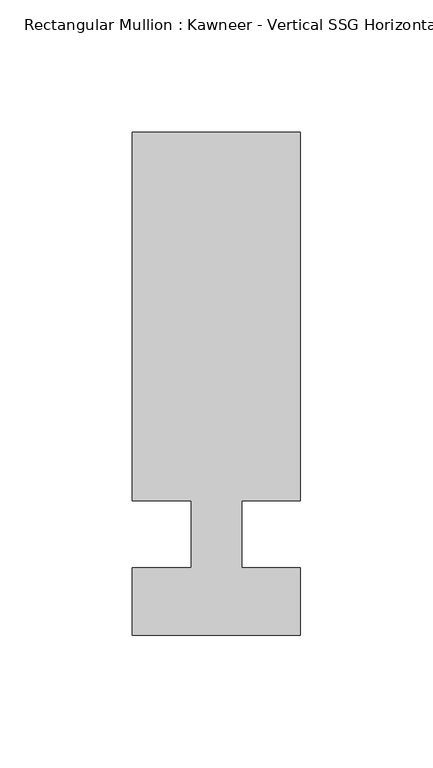
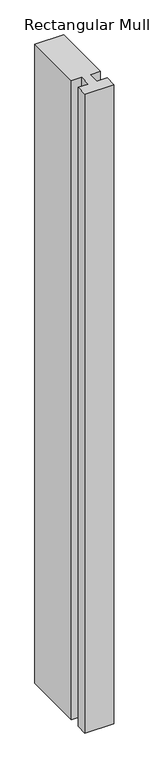
"""IFC4 building model written with IfcOpenShell, lengths in millimetres: member geometry."""

from ifc_helpers import new_model, si_unit, frame, origin, place, context, project, spatial, polyline, outline, extrude, source, transform, mapped, element, save


def member_c4f1c7f3(model_context):
    return source(origin(), model_context, "Body", "SweptSolid", [
        extrude(outline(polyline([(-9.525, -12.7), (-9.525, 12.7), (-31.75, 12.7), (-31.75, 151.892), (31.75, 151.892), (31.75, 12.7), (9.5251132, 12.7), (9.5251132, -12.7), (31.75, -12.7), (31.75, -38.1), (-31.75, -38.1), (-31.75, -12.7), (-9.525, -12.7)])), frame((0.0, 0.0, -1484.5397134), z_axis=(0.0, 0.0, 1.0), x_axis=(1.0, 0.0, 0.0)), (0.0, 0.0, 1.0), 1484.5397134),
    ])


if __name__ == "__main__":
    model = new_model("IFC4")
    model_context = context("Model", 3, world=origin())
    ifc_project = project(units=[si_unit("LENGTHUNIT", "METRE", prefix="MILLI")], contexts=[model_context])
    site = spatial("IfcSite", under=ifc_project)
    building = spatial("IfcBuilding", under=site)
    placement = place(None, origin())
    member_shape = member_c4f1c7f3(model_context)
    element("IfcMember", 1, ObjectType="Rectangular Mullion : Kawneer - Vertical SSG Horizontal Mullion - 7 1/2\"", at=placement, inside=building, context=model_context, shape_type="MappedRepresentation", body=[
        mapped(member_shape, transform((0.0, 0.0, 0.0), x_axis=(1.0, 0.0, 0.0), y_axis=(0.0, 1.0, 0.0), z_axis=(0.0, 0.0, 1.0))),
    ])
    save(model, "model.ifc")
